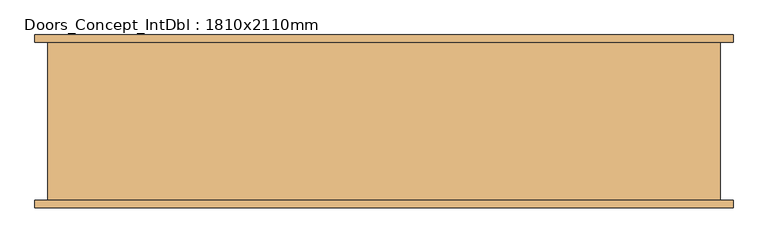
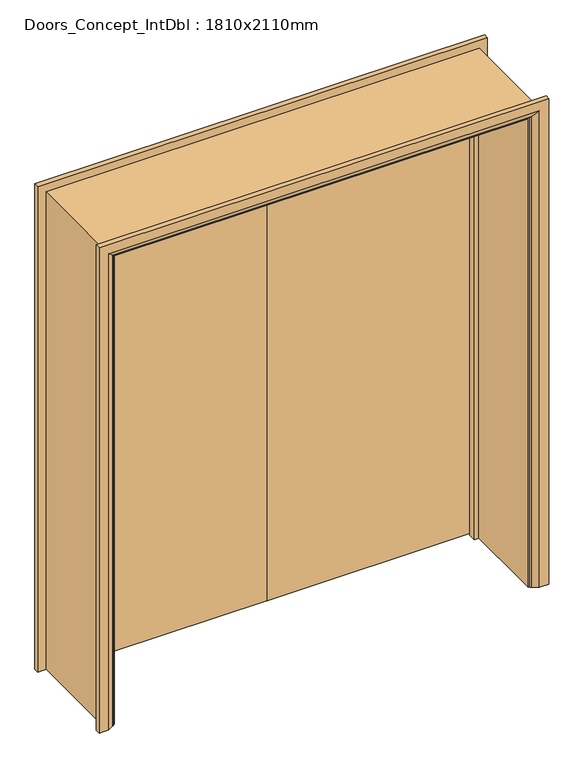
"""IFC4 building model written with IfcOpenShell, lengths in millimetres: door geometry, Doors_Concept_IntDbl : 1810x2110mm."""

from ifc_helpers import new_model, si_unit, frame, origin, place, context, project, spatial, polyline, circle_curve, ellipse_curve, outline, extrude, faceted_brep, source, transform, mapped, element, save
from ifc_brep_helpers import plane_surface, cylinder_surface, advanced_brep


def doors_concept_intdbl_1810x2110mm_ac12c9a2(model_context):
    return source(origin(), model_context, "Body", "SolidModel", [
        extrude(outline(polyline([(2110.0, -905.0), (0.0, -905.0), (0.0, -865.0), (2070.0, -865.0), (2070.0, 865.0), (0.0, 865.0), (0.0, 905.0), (2110.0, 905.0), (2110.0, -905.0)])), frame((0.0, -212.5, 0.0), z_axis=(0.0, 1.0, 0.0), x_axis=(0.0, 0.0, 1.0)), (0.0, 0.0, 1.0), 425.0),
        advanced_brep(
        [(-940.0, -232.5, 0.0), (-940.0, -212.5, 0.0), (-870.0, -212.5, 0.0), (-874.0, -218.5, 0.0), (-900.0, -232.5, 0.0), (-940.0, -232.5, 2145.0), (-940.0, -212.5, 2145.0), (940.0, -212.5, 2145.0), (940.0, -212.5, 0.0), (870.0, -212.5, 0.0), (870.0, -212.5, 2075.0), (-870.0, -212.5, 2075.0), (-874.0, -218.5, 2079.0), (-900.0, -232.5, 2105.0), (900.0, -232.5, 2105.0), (900.0, -232.5, 0.0), (940.0, -232.5, 0.0), (940.0, -232.5, 2145.0), (874.0, -218.5, 0.0), (874.0, -218.5, 2079.0)],
        [
            (0, 1),
            (1, 2),
            (2, 3, circle_curve(frame((-878.0, -211.5, 0.0), z_axis=(0.0, 0.0, -1.0), x_axis=(-1.0, 0.0, 0.0)), 8.0622577)),
            (3, 4),
            (4, 0),
            (0, 5),
            (5, 6),
            (6, 1),
            (6, 7),
            (7, 8),
            (8, 9),
            (9, 10),
            (10, 11),
            (11, 2),
            (11, 12, ellipse_curve(frame((-878.0, -211.5, 2083.0), z_axis=(-0.7071067811865475, 0.0, -0.7071067811865475), x_axis=(0.7071067811865474, 0.0, -0.7071067811865476)), 11.4017543, 8.0622577)),
            (12, 3),
            (12, 13),
            (13, 4),
            (13, 14),
            (14, 15),
            (15, 16),
            (16, 17),
            (17, 5),
            (7, 17),
            (16, 8),
            (15, 18),
            (18, 9, circle_curve(frame((878.0, -211.5, 0.0), z_axis=(0.0, 0.0, -1.0), x_axis=(1.0, 0.0, 0.0)), 8.0622577)),
            (19, 10, ellipse_curve(frame((878.0, -211.5, 2083.0), z_axis=(0.7071067811865475, 0.0, -0.7071067811865475), x_axis=(0.7071067811865474, 0.0, 0.7071067811865476)), 11.4017543, 8.0622577)),
            (18, 19),
            (14, 19),
            (19, 12),
        ],
        [
            plane_surface(frame((-870.0, -212.5, 0.0), z_axis=(0.0, 0.0, -1.0), x_axis=(0.0, -1.0, 0.0))),
            plane_surface(frame((-940.0, -232.5, 0.0), z_axis=(-1.0, 0.0, 0.0), x_axis=(0.0, 0.0, 1.0))),
            plane_surface(frame((-940.0, -212.5, 0.0), z_axis=(0.0, 1.0, 0.0), x_axis=(0.0, 0.0, 1.0))),
            cylinder_surface(frame((-878.0, -211.5, 0.0), z_axis=(0.0, 0.0, -1.0), x_axis=(-1.0, 0.0, 0.0)), 8.0622577),
            plane_surface(frame((-874.0, -218.5, 0.0), z_axis=(0.4740998230350183, -0.8804710999221749, 0.0), x_axis=(0.0, 0.0, 1.0))),
            plane_surface(frame((-900.0, -232.5, 0.0), z_axis=(0.0, -1.0, 0.0), x_axis=(0.0, 0.0, 1.0))),
            plane_surface(frame((940.0, -232.5, 2145.0), z_axis=(1.0, 0.0, 0.0), x_axis=(0.0, 0.0, -1.0))),
            plane_surface(frame((870.0, -212.5, 0.0), z_axis=(0.0, 0.0, -1.0), x_axis=(0.0, -1.0, 0.0))),
            cylinder_surface(frame((878.0, -211.5, 2075.0), z_axis=(0.0, 0.0, 1.0), x_axis=(1.0, 0.0, 0.0)), 8.0622577),
            plane_surface(frame((874.0, -218.5, 2079.0), z_axis=(-0.4740998230350183, -0.8804710999221749, 0.0), x_axis=(0.0, 0.0, -1.0))),
            plane_surface(frame((-940.0, -232.5, 2145.0), z_axis=(0.0, 0.0, 1.0), x_axis=(1.0, 0.0, 0.0))),
            cylinder_surface(frame((-870.0, -211.5, 2083.0), z_axis=(-1.0, 0.0, 0.0), x_axis=(0.0, 0.0, 1.0)), 8.0622577),
            plane_surface(frame((-874.0, -218.5, 2079.0), z_axis=(0.0, -0.8804710999221749, -0.4740998230350183), x_axis=(1.0, 0.0, 0.0))),
        ],
        [
            (0, [[1, 2, 3, 4, 5]]),
            (1, [[-1, 6, 7, 8]]),
            (2, [[-2, -8, 9, 10, 11, 12, 13, 14]]),
            (3, [[-3, -14, 15, 16]]),
            (4, [[-4, -16, 17, 18]]),
            (5, [[-5, -18, 19, 20, 21, 22, 23, -6]]),
            (6, [[24, -22, 25, -10]]),
            (7, [[-21, 26, 27, -11, -25]]),
            (8, [[28, -12, -27, 29]]),
            (9, [[30, -29, -26, -20]]),
            (10, [[-7, -23, -24, -9]]),
            (11, [[-15, -13, -28, 31]]),
            (12, [[-17, -31, -30, -19]]),
        ],
    ),
        advanced_brep(
        [(940.0, 232.5, 0.0), (940.0, 212.5, 0.0), (870.0, 212.5, 0.0), (874.0, 218.5, 0.0), (900.0, 232.5, 0.0), (940.0, 232.5, 2145.0), (940.0, 212.5, 2145.0), (-940.0, 212.5, 2145.0), (-940.0, 212.5, 0.0), (-870.0, 212.5, 0.0), (-870.0, 212.5, 2075.0), (870.0, 212.5, 2075.0), (874.0, 218.5, 2079.0), (900.0, 232.5, 2105.0), (-900.0, 232.5, 2105.0), (-900.0, 232.5, 0.0), (-940.0, 232.5, 0.0), (-940.0, 232.5, 2145.0), (-874.0, 218.5, 0.0), (-874.0, 218.5, 2079.0)],
        [
            (0, 1),
            (1, 2),
            (2, 3, circle_curve(frame((878.0, 211.5, 0.0), z_axis=(0.0, 0.0, -1.0), x_axis=(1.0, 0.0, 0.0)), 8.0622577)),
            (3, 4),
            (4, 0),
            (0, 5),
            (5, 6),
            (6, 1),
            (6, 7),
            (7, 8),
            (8, 9),
            (9, 10),
            (10, 11),
            (11, 2),
            (11, 12, ellipse_curve(frame((878.0, 211.5, 2083.0), z_axis=(0.7071067811865475, 0.0, -0.7071067811865475), x_axis=(-0.7071067811865474, 0.0, -0.7071067811865476)), 11.4017543, 8.0622577)),
            (12, 3),
            (12, 13),
            (13, 4),
            (13, 14),
            (14, 15),
            (15, 16),
            (16, 17),
            (17, 5),
            (7, 17),
            (16, 8),
            (15, 18),
            (18, 9, circle_curve(frame((-878.0, 211.5, 0.0), z_axis=(0.0, 0.0, -1.0), x_axis=(-1.0, 0.0, 0.0)), 8.0622577)),
            (19, 10, ellipse_curve(frame((-878.0, 211.5, 2083.0), z_axis=(-0.7071067811865475, 0.0, -0.7071067811865475), x_axis=(-0.7071067811865474, 0.0, 0.7071067811865476)), 11.4017543, 8.0622577)),
            (18, 19),
            (14, 19),
            (19, 12),
        ],
        [
            plane_surface(frame((870.0, 212.5, 0.0), z_axis=(0.0, 0.0, -1.0), x_axis=(0.0, -1.0, 0.0))),
            plane_surface(frame((940.0, 232.5, 0.0), z_axis=(1.0, 0.0, 0.0), x_axis=(0.0, 0.0, 1.0))),
            plane_surface(frame((940.0, 212.5, 0.0), z_axis=(0.0, -1.0, 0.0), x_axis=(0.0, 0.0, 1.0))),
            cylinder_surface(frame((878.0, 211.5, 0.0), z_axis=(0.0, 0.0, -1.0), x_axis=(1.0, 0.0, 0.0)), 8.0622577),
            plane_surface(frame((874.0, 218.5, 0.0), z_axis=(-0.4740998230350126, 0.8804710999221779, 0.0), x_axis=(0.0, 0.0, 1.0))),
            plane_surface(frame((900.0, 232.5, 0.0), z_axis=(0.0, 1.0, 0.0), x_axis=(0.0, 0.0, 1.0))),
            plane_surface(frame((-940.0, 232.5, 2145.0), z_axis=(-1.0, 0.0, 0.0), x_axis=(0.0, 0.0, -1.0))),
            plane_surface(frame((-870.0, 212.5, 0.0), z_axis=(0.0, 0.0, -1.0), x_axis=(0.0, -1.0, 0.0))),
            cylinder_surface(frame((-878.0, 211.5, 2075.0), z_axis=(0.0, 0.0, 1.0), x_axis=(-1.0, 0.0, 0.0)), 8.0622577),
            plane_surface(frame((-874.0, 218.5, 2079.0), z_axis=(0.4740998230350183, 0.8804710999221749, 0.0), x_axis=(0.0, 0.0, -1.0))),
            plane_surface(frame((940.0, 232.5, 2145.0), z_axis=(0.0, 0.0, 1.0), x_axis=(-1.0, 0.0, 0.0))),
            cylinder_surface(frame((870.0, 211.5, 2083.0), z_axis=(1.0, 0.0, 0.0), x_axis=(0.0, 0.0, 1.0)), 8.0622577),
            plane_surface(frame((874.0, 218.5, 2079.0), z_axis=(0.0, 0.8804710999221763, -0.4740998230350154), x_axis=(-1.0, 0.0, 0.0))),
        ],
        [
            (0, [[1, 2, 3, 4, 5]]),
            (1, [[-1, 6, 7, 8]]),
            (2, [[-2, -8, 9, 10, 11, 12, 13, 14]]),
            (3, [[-3, -14, 15, 16]]),
            (4, [[-4, -16, 17, 18]]),
            (5, [[-5, -18, 19, 20, 21, 22, 23, -6]]),
            (6, [[24, -22, 25, -10]]),
            (7, [[-21, 26, 27, -11, -25]]),
            (8, [[28, -12, -27, 29]]),
            (9, [[30, -29, -26, -20]]),
            (10, [[-7, -23, -24, -9]]),
            (11, [[-15, -13, -28, 31]]),
            (12, [[-17, -31, -30, -19]]),
        ],
    ),
        faceted_brep([(-846.0, 177.5, 0.0), (-846.0, 145.5, 0.0), (-865.0, 145.5, 0.0), (-865.0, 177.5, 0.0), (-846.0, 177.5, 2051.0), (-846.0, 145.5, 2051.0), (-865.0, 145.5, 2070.0), (-865.0, 177.5, 2070.0), (846.0, 177.5, 0.0), (865.0, 177.5, 0.0), (865.0, 145.5, 0.0), (846.0, 145.5, 0.0), (846.0, 177.5, 2051.0), (865.0, 177.5, 2070.0), (865.0, 145.5, 2070.0), (846.0, 145.5, 2051.0)], [[[0, 1, 2, 3]], [[1, 0, 4, 5]], [[2, 1, 5, 6]], [[3, 2, 6, 7]], [[0, 3, 7, 4]], [[8, 9, 10, 11]], [[12, 13, 9, 8]], [[13, 14, 10, 9]], [[14, 15, 11, 10]], [[15, 12, 8, 11]], [[5, 4, 12, 15]], [[6, 5, 15, 14]], [[7, 6, 14, 13]], [[4, 7, 13, 12]]]),
        extrude(outline(polyline([(-1.5, 180.5), (-862.0, 180.5), (-862.0, 212.5), (-1.5, 212.5), (-1.5, 180.5)])), frame((0.0, 0.0, 5.753223), z_axis=(0.0, 0.0, 1.0), x_axis=(1.0, 0.0, 0.0)), (0.0, 0.0, 1.0), 2061.246777),
        extrude(outline(polyline([(862.0, 180.5), (1.5, 180.5), (1.5, 212.5), (862.0, 212.5), (862.0, 180.5)])), frame((0.0, 0.0, 5.753223), z_axis=(0.0, 0.0, 1.0), x_axis=(1.0, 0.0, 0.0)), (0.0, 0.0, 1.0), 2061.246777),
    ])


if __name__ == "__main__":
    model = new_model("IFC4")
    model_context = context("Model", 3, world=origin())
    ifc_project = project(units=[si_unit("LENGTHUNIT", "METRE", prefix="MILLI")], contexts=[model_context])
    site = spatial("IfcSite", under=ifc_project)
    building = spatial("IfcBuilding", under=site)
    placement = place(None, origin())
    doors_concept_intdbl_1810x2110mm_shape = doors_concept_intdbl_1810x2110mm_ac12c9a2(model_context)
    element("IfcDoor", 1, ObjectType="Doors_Concept_IntDbl : 1810x2110mm", at=placement, inside=building, context=model_context, shape_type="MappedRepresentation", body=[
        mapped(doors_concept_intdbl_1810x2110mm_shape, transform((0.0, 0.0, 0.0), x_axis=(1.0, 0.0, 0.0), y_axis=(0.0, 1.0, 0.0), z_axis=(0.0, 0.0, 1.0))),
    ])
    save(model, "model.ifc")
